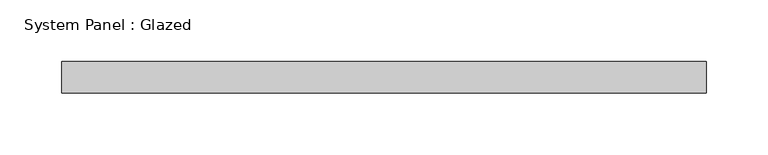
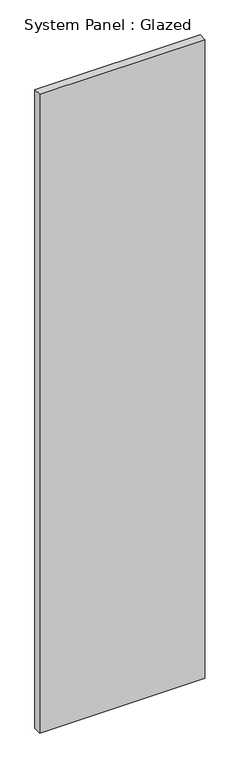
"""IFC4 building model written with IfcOpenShell, lengths in millimetres: plate geometry, System Panel : Glazed."""

from ifc_helpers import new_model, si_unit, origin, origin_with_axes, place, context, project, spatial, polyline, outline, extrude, source, transform, mapped, element, save


def system_panel_glazed_282ed6e0(model_context):
    return source(origin(), model_context, "Body", "SweptSolid", [
        extrude(outline(polyline([(260.746875, -44.45), (-260.746875, -44.45), (-260.746875, -19.05), (260.746875, -19.05), (260.746875, -44.45)])), origin_with_axes(), (0.0, 0.0, 1.0), 2133.6),
    ])


if __name__ == "__main__":
    model = new_model("IFC4")
    model_context = context("Model", 3, world=origin())
    ifc_project = project(units=[si_unit("LENGTHUNIT", "METRE", prefix="MILLI")], contexts=[model_context])
    site = spatial("IfcSite", under=ifc_project)
    building = spatial("IfcBuilding", under=site)
    placement = place(None, origin())
    system_panel_glazed_shape = system_panel_glazed_282ed6e0(model_context)
    element("IfcPlate", 1, ObjectType="System Panel : Glazed", at=placement, inside=building, context=model_context, shape_type="MappedRepresentation", body=[
        mapped(system_panel_glazed_shape, transform((0.0, 0.0, 0.0), x_axis=(1.0, 0.0, 0.0), y_axis=(0.0, 1.0, 0.0), z_axis=(0.0, 0.0, 1.0))),
    ])
    save(model, "model.ifc")
